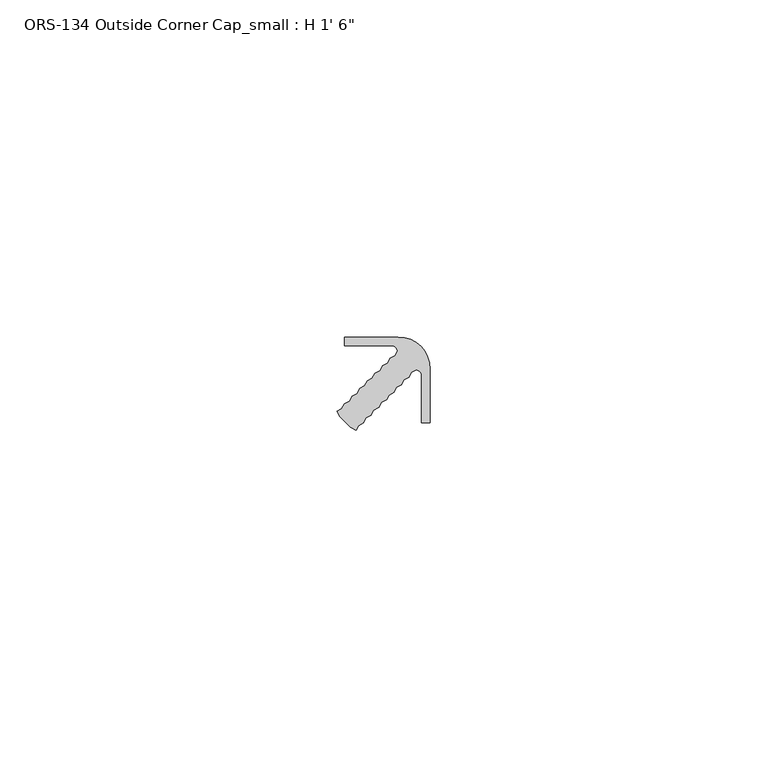
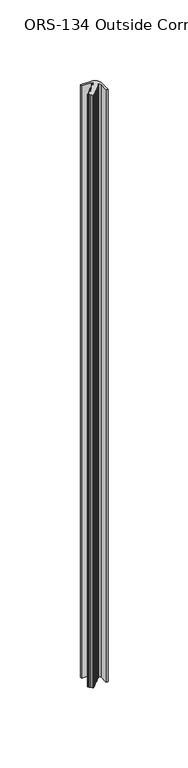
"""IFC4 building model written with IfcOpenShell, lengths in millimetres: proxy geometry."""

from ifc_helpers import new_model, si_unit, point, frame_2d, origin, origin_with_axes, place, context, project, spatial, polyline, circle_curve, trimmed, segment, composite_curve, outline, extrude, source, transform, mapped, element, save


def proxy_d6df98c5(model_context):
    return source(origin(), model_context, "Body", "SweptSolid", [
        extrude(outline(composite_curve([segment(polyline([(-2.0272416, -4.8650026), (-2.7596145, -5.2381652), (-3.1327771, -5.970538), (-3.8651499, -6.3437006), (-4.2383125, -7.0760735), (-4.9706854, -7.4492361), (-5.343848, -8.1816089), (-6.1271326, -8.6056833), (-6.5002952, -9.3380562), (-7.2326681, -9.7112188), (-7.6058307, -10.4435916), (-8.3891153, -10.867666), (-8.7622779, -11.6000389), (-9.4946508, -11.9732015), (-9.8678134, -12.7055743), (-10.651098, -13.1296487), (-11.0242606, -13.8620216), (-11.7948384, -13.4171282), (-12.6059833, -12.6059833), (-13.4171282, -11.7948384), (-13.8620216, -11.0242606), (-13.1296487, -10.651098), (-12.7055743, -9.8678134), (-11.9732015, -9.4946508), (-11.6000389, -8.7622779), (-10.867666, -8.3891153), (-10.4435916, -7.6058307), (-9.7112188, -7.2326681), (-9.3380562, -6.5002952), (-8.6056833, -6.1271326), (-8.1816089, -5.343848), (-7.4492361, -4.9706854), (-7.0760735, -4.2383125), (-6.3437006, -3.8651499), (-5.970538, -3.1327771), (-5.2381652, -2.7596145), (-4.8650026, -2.0272416)]), True, "CONTINUOUS"), segment(trimmed(circle_curve(frame_2d((-5.7719359, -2.1846401)), 0.9204903), [point((-4.8650026, -2.0272416))], [point((-5.8755496, -1.27))], True, "CARTESIAN"), True, "CONTINUOUS"), segment(polyline([(-5.8755496, -1.27), (-12.7, -1.27), (-12.7, 0.0), (-4.7752, 0.0)]), True, "CONTINUOUS"), segment(trimmed(circle_curve(frame_2d((-4.7752, -4.7752)), 4.7752), [point((-4.7752, 0.0))], [point((-1.3986237, -1.3986237))], False, "CARTESIAN"), True, "CONTINUOUS"), segment(trimmed(circle_curve(frame_2d((-4.7752, -4.7752)), 4.7752), [point((-1.3986237, -1.3986237))], [point((0.0, -4.7752))], False, "CARTESIAN"), True, "CONTINUOUS"), segment(polyline([(0.0, -4.7752), (0.0, -12.7), (-1.27, -12.7), (-1.27, -5.8755496)]), True, "CONTINUOUS"), segment(trimmed(circle_curve(frame_2d((-2.1846401, -5.7719359)), 0.9204903), [point((-1.27, -5.8755496))], [point((-2.0272416, -4.8650026))], True, "CARTESIAN"), True, "CONTINUOUS")], self_intersect=False)), origin_with_axes(), (0.0, 0.0, 1.0), 457.2),
    ])


if __name__ == "__main__":
    model = new_model("IFC4")
    model_context = context("Model", 3, world=origin())
    ifc_project = project(units=[si_unit("LENGTHUNIT", "METRE", prefix="MILLI")], contexts=[model_context])
    site = spatial("IfcSite", under=ifc_project)
    building = spatial("IfcBuilding", under=site)
    placement = place(None, origin())
    proxy_shape = proxy_d6df98c5(model_context)
    element("IfcBuildingElementProxy", 1, Name="ORS-134 Outside Corner Cap_small : H 1' 6\"", ObjectType="ORS-134 Outside Corner Cap_small : H 1' 6\"", at=placement, inside=building, context=model_context, shape_type="MappedRepresentation", body=[
        mapped(proxy_shape, transform((0.0, 0.0, 0.0), x_axis=(1.0, 0.0, 0.0), y_axis=(0.0, 1.0, 0.0), z_axis=(0.0, 0.0, 1.0))),
    ])
    save(model, "model.ifc")
